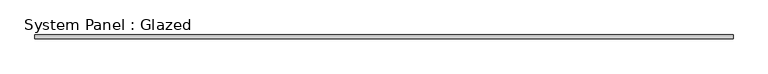
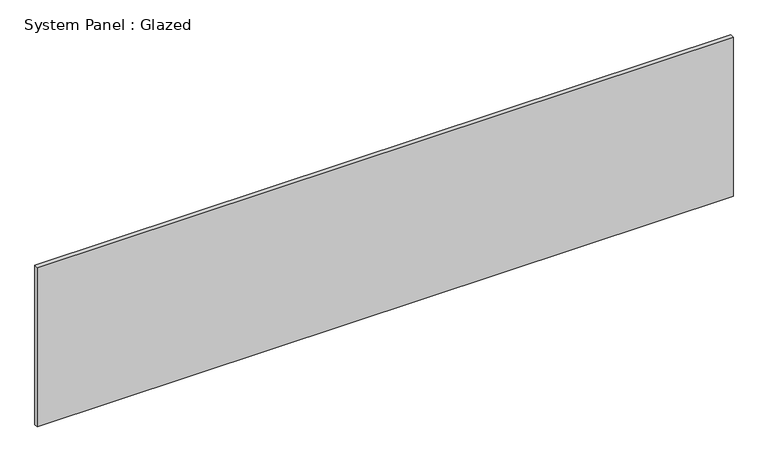
"""IFC4 building model written with IfcOpenShell, lengths in millimetres: plate geometry, System Panel : Glazed."""

from ifc_helpers import new_model, si_unit, origin, origin_with_axes, place, context, project, spatial, polyline, outline, extrude, source, transform, mapped, element, save


def system_panel_glazed_1d8e4195(model_context):
    return source(origin(), model_context, "Body", "SweptSolid", [
        extrude(outline(polyline([(2390.775, 19.05), (-2390.775, 19.05), (-2390.775, 44.45), (2390.775, 44.45), (2390.775, 19.05)])), origin_with_axes(), (0.0, 0.0, 1.0), 1155.7),
    ])


if __name__ == "__main__":
    model = new_model("IFC4")
    model_context = context("Model", 3, world=origin())
    ifc_project = project(units=[si_unit("LENGTHUNIT", "METRE", prefix="MILLI")], contexts=[model_context])
    site = spatial("IfcSite", under=ifc_project)
    building = spatial("IfcBuilding", under=site)
    placement = place(None, origin())
    system_panel_glazed_shape = system_panel_glazed_1d8e4195(model_context)
    element("IfcPlate", 1, ObjectType="System Panel : Glazed", at=placement, inside=building, context=model_context, shape_type="MappedRepresentation", body=[
        mapped(system_panel_glazed_shape, transform((0.0, 0.0, 0.0), x_axis=(1.0, 0.0, 0.0), y_axis=(0.0, 1.0, 0.0), z_axis=(0.0, 0.0, 1.0))),
    ])
    save(model, "model.ifc")
